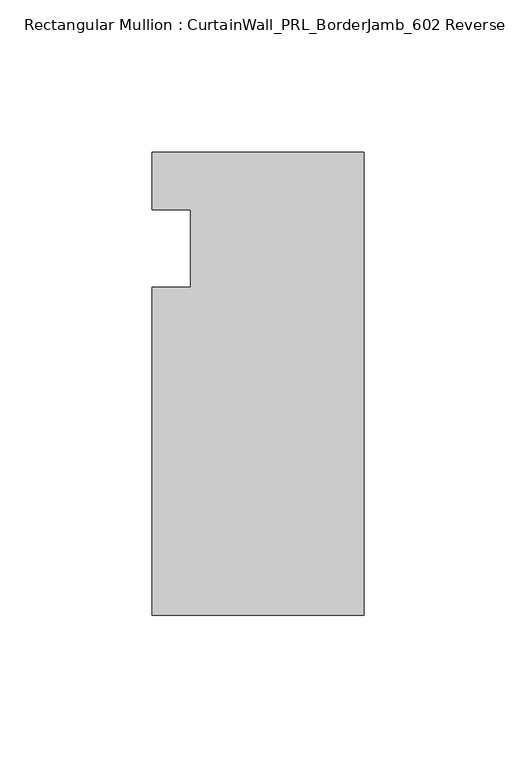
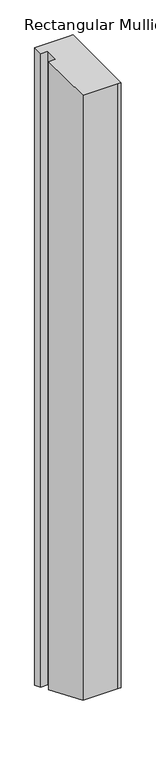
"""IFC4 building model written with IfcOpenShell, lengths in millimetres: member geometry, Rectangular Mullion : CurtainWall_PRL_BorderJamb_602 Reverse."""

from ifc_helpers import new_model, si_unit, origin, place, context, project, spatial, faceted_brep, source, transform, mapped, element, save


def rectangular_mullion_curtainwall_prl_borderjamb_602_reverse_129ba00f(model_context):
    return source(origin(), model_context, "Body", "Brep", [
        faceted_brep([(-57.15, -12.7, 0.0), (-69.85, -12.7, 0.0), (-69.85, -120.65, 0.0), (-6.35, -120.65, 0.0), (0.0, -120.65, 0.0), (0.0, 31.75, 0.0), (-7.3958824, 31.75, 0.0), (-69.85, 31.75, 0.0), (-69.85, 12.7, 0.0), (-57.15, 12.7, 0.0), (-57.15, -12.7, -1213.9394878), (-69.85, -12.7, -1213.9394878), (-69.85, -120.65, -1169.2251337), (-6.35, -120.65, -1169.2251337), (0.0, -120.65, -1169.2251337), (0.0, 31.75, -1232.3512806), (-7.3958824, 31.75, -1232.3512806), (-69.85, 31.75, -1232.3512806), (-69.85, 12.7, -1224.4605122), (-57.15, 12.7, -1224.4605122)], [[[0, 1, 2, 3, 4, 5, 6, 7, 8, 9]], [[1, 0, 10, 11]], [[2, 1, 11, 12]], [[3, 2, 12, 13]], [[4, 3, 13, 14]], [[5, 4, 14, 15]], [[6, 5, 15, 16]], [[7, 6, 16, 17]], [[8, 7, 17, 18]], [[9, 8, 18, 19]], [[0, 9, 19, 10]], [[10, 19, 18, 17, 16, 15, 14, 13, 12, 11]]]),
    ])


if __name__ == "__main__":
    model = new_model("IFC4")
    model_context = context("Model", 3, world=origin())
    ifc_project = project(units=[si_unit("LENGTHUNIT", "METRE", prefix="MILLI")], contexts=[model_context])
    site = spatial("IfcSite", under=ifc_project)
    building = spatial("IfcBuilding", under=site)
    placement = place(None, origin())
    rectangular_mullion_curtainwall_prl_borderjamb_602_reverse_shape = rectangular_mullion_curtainwall_prl_borderjamb_602_reverse_129ba00f(model_context)
    element("IfcMember", 1, ObjectType="Rectangular Mullion : CurtainWall_PRL_BorderJamb_602 Reverse", at=placement, inside=building, context=model_context, shape_type="MappedRepresentation", body=[
        mapped(rectangular_mullion_curtainwall_prl_borderjamb_602_reverse_shape, transform((0.0, 0.0, 0.0), x_axis=(1.0, 0.0, 0.0), y_axis=(0.0, 1.0, 0.0), z_axis=(0.0, 0.0, 1.0))),
    ])
    save(model, "model.ifc")
